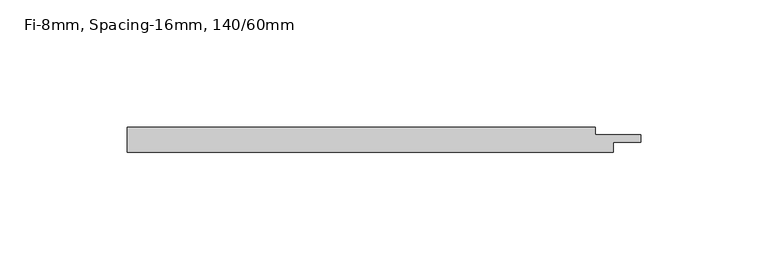
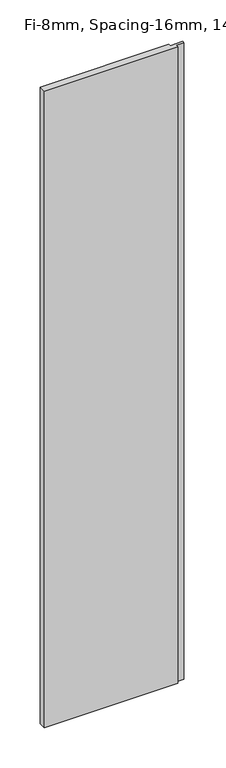
"""IFC4 building model written with IfcOpenShell, lengths in millimetres: plate geometry, Fi-8mm, Spacing-16mm, 140/60mm."""

from ifc_helpers import new_model, si_unit, origin, origin_with_axes, place, context, project, spatial, polyline, outline, extrude, source, transform, mapped, element, save


def fi_8mm_spacing_16mm_140_60mm_5dbb98ba(model_context):
    return source(origin(), model_context, "Body", "SweptSolid", [
        extrude(outline(polyline([(-95.65, -5.0), (-95.65, 5.0), (88.65, 5.0), (88.65, 2.0), (106.65, 2.0), (106.65, -1.0), (95.65, -1.0), (95.65, -5.0), (-95.65, -5.0)])), origin_with_axes(), (0.0, 0.0, 1.0), 964.5),
    ])


if __name__ == "__main__":
    model = new_model("IFC4")
    model_context = context("Model", 3, world=origin())
    ifc_project = project(units=[si_unit("LENGTHUNIT", "METRE", prefix="MILLI")], contexts=[model_context])
    site = spatial("IfcSite", under=ifc_project)
    building = spatial("IfcBuilding", under=site)
    placement = place(None, origin())
    fi_8mm_spacing_16mm_140_60mm_shape = fi_8mm_spacing_16mm_140_60mm_5dbb98ba(model_context)
    element("IfcPlate", 1, ObjectType="Fi-8mm, Spacing-16mm, 140/60mm", at=placement, inside=building, context=model_context, shape_type="MappedRepresentation", body=[
        mapped(fi_8mm_spacing_16mm_140_60mm_shape, transform((0.0, 0.0, 0.0), x_axis=(1.0, 0.0, 0.0), y_axis=(0.0, 1.0, 0.0), z_axis=(0.0, 0.0, 1.0))),
    ])
    save(model, "model.ifc")
